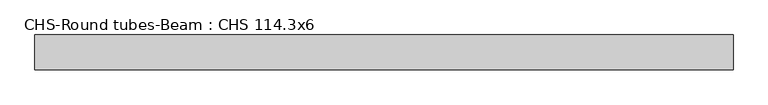
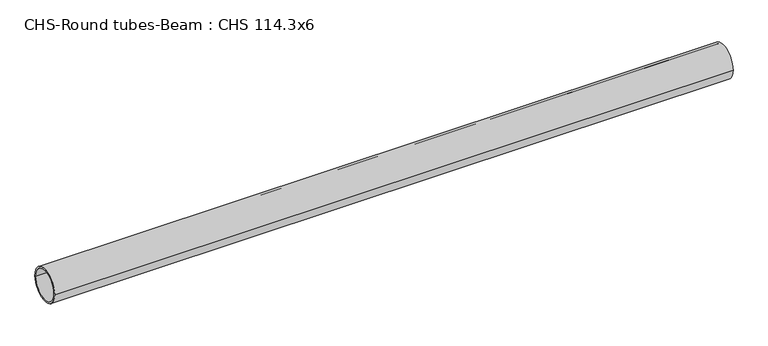
"""IFC4 building model written with IfcOpenShell, lengths in millimetres: beam geometry, CHS-Round tubes-Beam : CHS 114.3x6."""

from ifc_helpers import new_model, si_unit, point, frame, origin, origin_2d, place, context, project, spatial, circle_curve, trimmed, segment, composite_curve, outline, extrude, source, transform, mapped, element, save


def chs_round_tubes_beam_chs_114_3x6_6b570626(model_context):
    return source(origin(), model_context, "Body", "SweptSolid", [
        extrude(outline(composite_curve([segment(trimmed(circle_curve(origin_2d(), 57.15), [point((57.15, 0.0))], [point((-57.15, 0.0))], False, "CARTESIAN"), True, "CONTINUOUS"), segment(trimmed(circle_curve(origin_2d(), 57.15), [point((-57.15, 0.0))], [point((57.15, 0.0))], False, "CARTESIAN"), True, "CONTINUOUS")], self_intersect=False), holes=[composite_curve([segment(trimmed(circle_curve(origin_2d(), 51.15), [point((51.15, 0.0))], [point((-51.15, 0.0))], True, "CARTESIAN"), True, "CONTINUOUS"), segment(trimmed(circle_curve(origin_2d(), 51.15), [point((-51.15, 0.0))], [point((51.15, 0.0))], True, "CARTESIAN"), True, "CONTINUOUS")], self_intersect=False)]), frame((-1117.0258891, 0.0, 0.0), z_axis=(1.0, 0.0, 0.0), x_axis=(0.0, 1.0, 0.0)), (0.0, 0.0, 1.0), 2283.6517668),
    ])


if __name__ == "__main__":
    model = new_model("IFC4")
    model_context = context("Model", 3, world=origin())
    ifc_project = project(units=[si_unit("LENGTHUNIT", "METRE", prefix="MILLI")], contexts=[model_context])
    site = spatial("IfcSite", under=ifc_project)
    building = spatial("IfcBuilding", under=site)
    placement = place(None, origin())
    chs_round_tubes_beam_chs_114_3x6_shape = chs_round_tubes_beam_chs_114_3x6_6b570626(model_context)
    element("IfcBeam", 1, ObjectType="CHS-Round tubes-Beam : CHS 114.3x6", at=placement, inside=building, context=model_context, shape_type="MappedRepresentation", body=[
        mapped(chs_round_tubes_beam_chs_114_3x6_shape, transform((0.0, 0.0, 0.0), x_axis=(1.0, 0.0, 0.0), y_axis=(0.0, 1.0, 0.0), z_axis=(0.0, 0.0, 1.0))),
    ])
    save(model, "model.ifc")
